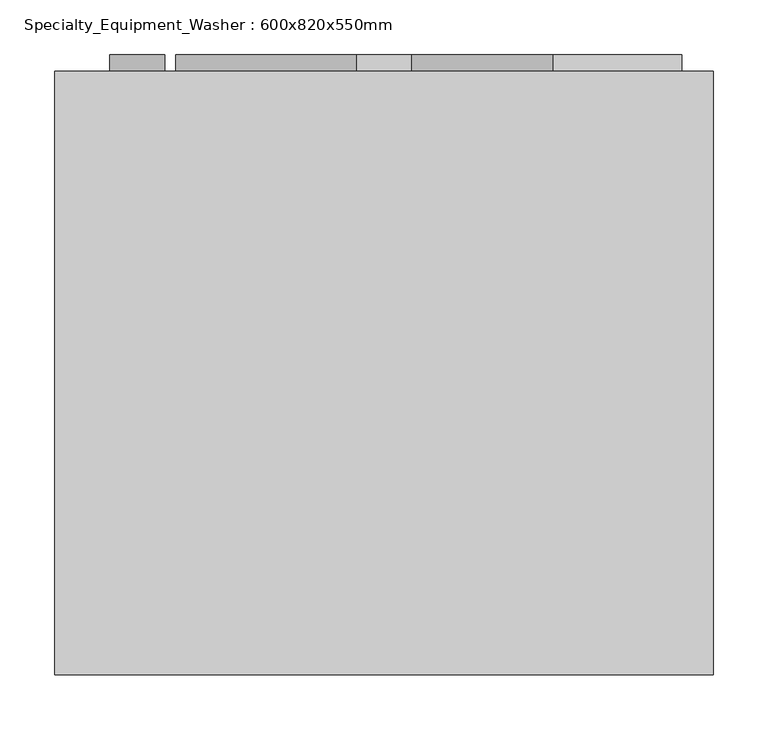
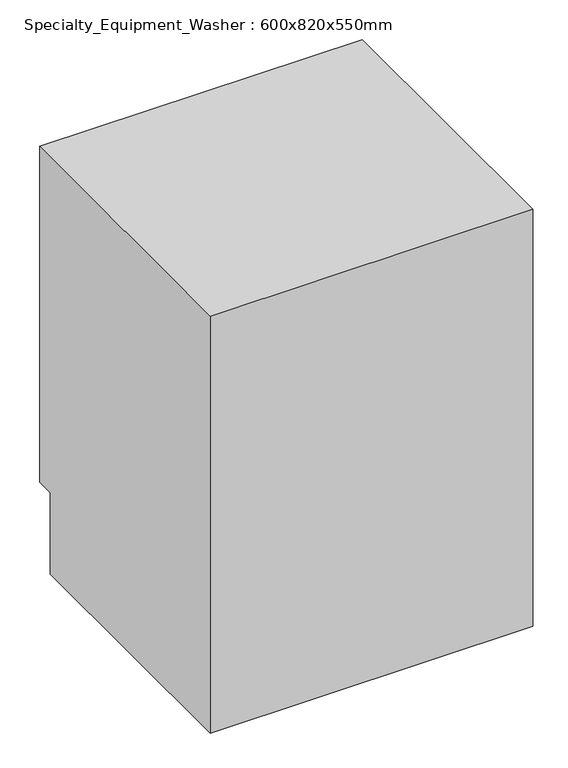
"""IFC4 building model written with IfcOpenShell, lengths in millimetres: proxy geometry, Specialty_Equipment_Washer : 600x820x550mm."""

from ifc_helpers import new_model, si_unit, point, frame, frame_2d, origin, place, context, project, spatial, polyline, circle_curve, trimmed, segment, composite_curve, outline, extrude, source, transform, mapped, element, save
from ifc_brep_helpers import plane_surface, revolved_surface, advanced_brep


def specialty_equipment_washer_600x820x550mm_7b69a39b(model_context):
    return source(origin(), model_context, "Body", "SolidModel", [
        advanced_brep(
        [(-451.3135585, 190.0, 0.0), (-451.3135585, 190.0, 820.0), (-451.3135585, 740.0, 820.0), (-451.3135585, 740.0, 160.0), (-451.3135585, 705.0, 160.0), (-451.3135585, 705.0, 0.0), (148.6864415, 190.0, 0.0), (148.6864415, 705.0, 0.0), (148.6864415, 705.0, 160.0), (148.6864415, 740.0, 160.0), (148.6864415, 740.0, 820.0), (148.6864415, 190.0, 820.0), (-11.3135585, 740.0, 440.0), (-291.3135585, 740.0, 440.0), (-11.3135585, 490.0, 440.0), (-291.3135585, 490.0, 440.0)],
        [
            (0, 1),
            (1, 2),
            (2, 3),
            (3, 4),
            (4, 5),
            (5, 0),
            (6, 7),
            (7, 8),
            (8, 9),
            (9, 10),
            (10, 11),
            (11, 6),
            (0, 6),
            (11, 1),
            (10, 2),
            (9, 3),
            (12, 13, circle_curve(frame((-151.3135585, 740.0, 440.0), z_axis=(0.0, -1.0, 0.0), x_axis=(-1.0, 0.0, 0.0)), 140.0)),
            (13, 12, circle_curve(frame((-151.3135585, 740.0, 440.0), z_axis=(0.0, -1.0, 0.0), x_axis=(-1.0, 0.0, 0.0)), 140.0)),
            (8, 4),
            (7, 5),
            (14, 15, circle_curve(frame((-151.3135585, 490.0, 440.0), z_axis=(0.0, 1.0, 0.0), x_axis=(-1.0, 0.0, 0.0)), 140.0)),
            (15, 14, circle_curve(frame((-151.3135585, 490.0, 440.0), z_axis=(0.0, 1.0, 0.0), x_axis=(-1.0, 0.0, 0.0)), 140.0)),
            (15, 13),
            (12, 14),
        ],
        [
            plane_surface(frame((-451.3135585, 190.0, 820.0), z_axis=(-1.0, 0.0, 0.0), x_axis=(0.0, 0.0, 1.0))),
            plane_surface(frame((148.6864415, 190.0, 820.0), z_axis=(1.0, 0.0, 0.0), x_axis=(0.0, 0.0, -1.0))),
            plane_surface(frame((-451.3135585, 190.0, 0.0), z_axis=(0.0, -1.0, 0.0), x_axis=(1.0, 0.0, 0.0))),
            plane_surface(frame((-451.3135585, 190.0, 820.0), z_axis=(0.0, 0.0, 1.0), x_axis=(1.0, 0.0, 0.0))),
            plane_surface(frame((-451.3135585, 740.0, 820.0), z_axis=(0.0, 1.0, 0.0), x_axis=(1.0, 0.0, 0.0))),
            plane_surface(frame((-451.3135585, 740.0, 160.0), z_axis=(0.0, 0.0, -1.0), x_axis=(1.0, 0.0, 0.0))),
            plane_surface(frame((-451.3135585, 705.0, 160.0), z_axis=(0.0, 1.0, 0.0), x_axis=(1.0, 0.0, 0.0))),
            plane_surface(frame((-451.3135585, 705.0, 0.0), z_axis=(0.0, 0.0, -1.0), x_axis=(1.0, 0.0, 0.0))),
            plane_surface(frame((-291.3135585, 490.0, 440.0), z_axis=(0.0, 1.0, 0.0), x_axis=(0.0, 0.0, -1.0))),
            revolved_surface(polyline([(-291.3135585, 490.0, 440.0), (-291.3135585, 740.0, 440.0)]), (-151.3135585, 740.0, 440.0), (0.0, -1.0, 0.0)),
        ],
        [
            (0, [[1, 2, 3, 4, 5, 6]]),
            (1, [[7, 8, 9, 10, 11, 12]]),
            (2, [[-1, 13, -12, 14]]),
            (3, [[-2, -14, -11, 15]]),
            (4, [[-3, -15, -10, 16], [17, 18]]),
            (5, [[-4, -16, -9, 19]]),
            (6, [[-5, -19, -8, 20]]),
            (7, [[-6, -20, -7, -13]]),
            (8, [[21, 22]]),
            (9, [[-22, 23, -17, 24]]),
            (9, [[-21, -24, -18, -23]]),
        ],
    ),
        extrude(outline(composite_curve([segment(trimmed(circle_curve(frame_2d((440.0, -151.3135585)), 140.0), [point((440.0, -291.3135585))], [point((440.0, -11.3135585))], False, "CARTESIAN"), True, "CONTINUOUS"), segment(trimmed(circle_curve(frame_2d((440.0, -151.3135585)), 140.0), [point((440.0, -11.3135585))], [point((440.0, -291.3135585))], False, "CARTESIAN"), True, "CONTINUOUS")], self_intersect=False)), frame((0.0, 740.0, 0.0), z_axis=(0.0, 1.0, 0.0), x_axis=(0.0, 0.0, 1.0)), (0.0, 0.0, 1.0), 15.0),
        extrude(outline(composite_curve([segment(trimmed(circle_curve(frame_2d((440.0, -151.3135585)), 190.0), [point((440.0, -341.3135585))], [point((440.0, 38.6864415))], False, "CARTESIAN"), True, "CONTINUOUS"), segment(trimmed(circle_curve(frame_2d((440.0, -151.3135585)), 190.0), [point((440.0, 38.6864415))], [point((440.0, -341.3135585))], False, "CARTESIAN"), True, "CONTINUOUS")], self_intersect=False), holes=[composite_curve([segment(trimmed(circle_curve(frame_2d((440.0, -151.3135585)), 140.0), [point((440.0, -291.3135585))], [point((440.0, -11.3135585))], True, "CARTESIAN"), True, "CONTINUOUS"), segment(trimmed(circle_curve(frame_2d((440.0, -151.3135585)), 140.0), [point((440.0, -11.3135585))], [point((440.0, -291.3135585))], True, "CARTESIAN"), True, "CONTINUOUS")], self_intersect=False)]), frame((0.0, 740.0, 0.0), z_axis=(0.0, 1.0, 0.0), x_axis=(0.0, 0.0, 1.0)), (0.0, 0.0, 1.0), 15.0),
        extrude(outline(composite_curve([segment(trimmed(circle_curve(frame_2d((761.0845617, -376.3135585)), 25.0), [point((761.0845617, -401.3135585))], [point((761.0845617, -351.3135585))], False, "CARTESIAN"), True, "CONTINUOUS"), segment(trimmed(circle_curve(frame_2d((761.0845617, -376.3135585)), 25.0), [point((761.0845617, -351.3135585))], [point((761.0845617, -401.3135585))], False, "CARTESIAN"), True, "CONTINUOUS")], self_intersect=False)), frame((0.0, 740.0, 0.0), z_axis=(0.0, 1.0, 0.0), x_axis=(0.0, 0.0, 1.0)), (0.0, 0.0, 1.0), 15.0),
        extrude(outline(polyline([(3.1591715, 755.0), (119.995263, 755.0), (119.995263, 740.0), (3.1591715, 740.0), (3.1591715, 755.0)])), frame((0.0, 0.0, 736.0845617), z_axis=(0.0, 0.0, 1.0), x_axis=(1.0, 0.0, 0.0)), (0.0, 0.0, 1.0), 25.0),
        extrude(outline(polyline([(-176.3135585, 755.0), (-126.3135585, 755.0), (-126.3135585, 740.0), (-176.3135585, 740.0), (-176.3135585, 755.0)])), frame((0.0, 0.0, 741.0845617), z_axis=(0.0, 0.0, 1.0), x_axis=(1.0, 0.0, 0.0)), (0.0, 0.0, 1.0), 40.0),
    ])


if __name__ == "__main__":
    model = new_model("IFC4")
    model_context = context("Model", 3, world=origin())
    ifc_project = project(units=[si_unit("LENGTHUNIT", "METRE", prefix="MILLI")], contexts=[model_context])
    site = spatial("IfcSite", under=ifc_project)
    building = spatial("IfcBuilding", under=site)
    placement = place(None, origin())
    specialty_equipment_washer_600x820x550mm_shape = specialty_equipment_washer_600x820x550mm_7b69a39b(model_context)
    element("IfcBuildingElementProxy", 1, Name="Specialty_Equipment_Washer : 600x820x550mm", ObjectType="Specialty_Equipment_Washer : 600x820x550mm", at=placement, inside=building, context=model_context, shape_type="MappedRepresentation", body=[
        mapped(specialty_equipment_washer_600x820x550mm_shape, transform((0.0, 0.0, 0.0), x_axis=(1.0, 0.0, 0.0), y_axis=(0.0, 1.0, 0.0), z_axis=(0.0, 0.0, 1.0))),
    ])
    save(model, "model.ifc")
